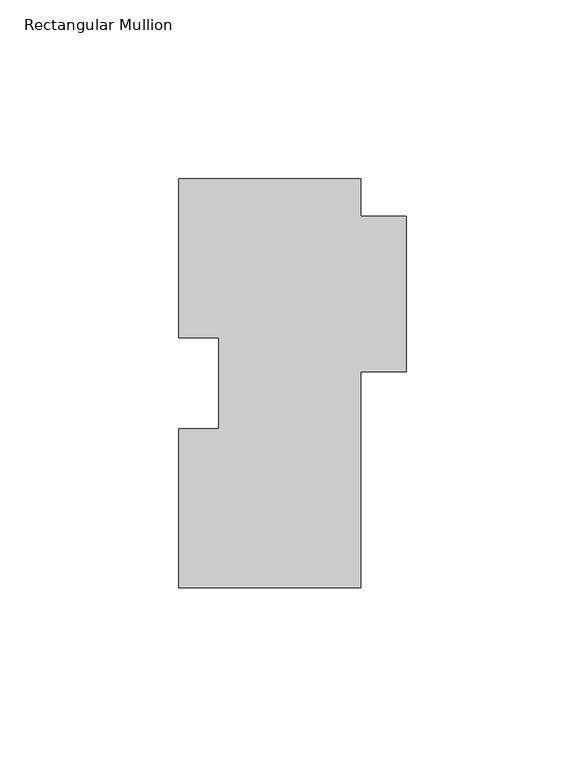
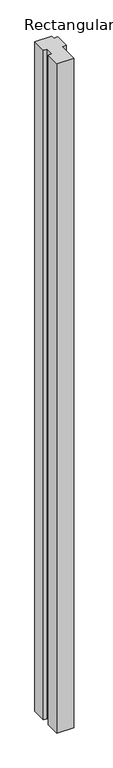
"""IFC4 building model written with IfcOpenShell, lengths in millimetres: member geometry, Rectangular Mullion."""

from ifc_helpers import new_model, si_unit, frame, origin, place, context, project, spatial, polyline, outline, extrude, source, transform, mapped, element, save


def rectangular_mullion_7d5375da(model_context):
    return source(origin(), model_context, "Body", "SweptSolid", [
        extrude(outline(polyline([(25.6122393, 114.2476125), (25.6122393, 103.7828125), (38.3122393, 103.7828125), (38.3122393, 60.2980125), (25.6122393, 60.2980125), (25.6122393, -0.0523875), (-25.1877607, -0.0523875), (-25.1877607, 44.3434366), (-14.0625608, 44.3976125), (-14.0625608, 69.7976125), (-25.1877607, 69.7976125), (-25.1877607, 114.2476125), (25.6122393, 114.2476125)])), frame((0.0, 0.0, -2133.6), z_axis=(0.0, 0.0, 1.0), x_axis=(1.0, 0.0, 0.0)), (0.0, 0.0, 1.0), 2133.6),
    ])


if __name__ == "__main__":
    model = new_model("IFC4")
    model_context = context("Model", 3, world=origin())
    ifc_project = project(units=[si_unit("LENGTHUNIT", "METRE", prefix="MILLI")], contexts=[model_context])
    site = spatial("IfcSite", under=ifc_project)
    building = spatial("IfcBuilding", under=site)
    placement = place(None, origin())
    rectangular_mullion_shape = rectangular_mullion_7d5375da(model_context)
    element("IfcMember", 1, ObjectType="Rectangular Mullion", at=placement, inside=building, context=model_context, shape_type="MappedRepresentation", body=[
        mapped(rectangular_mullion_shape, transform((0.0, 0.0, 0.0), x_axis=(1.0, 0.0, 0.0), y_axis=(0.0, 1.0, 0.0), z_axis=(0.0, 0.0, 1.0))),
    ])
    save(model, "model.ifc")
